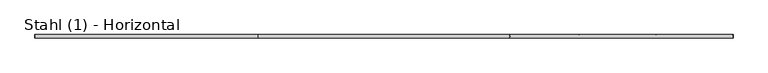
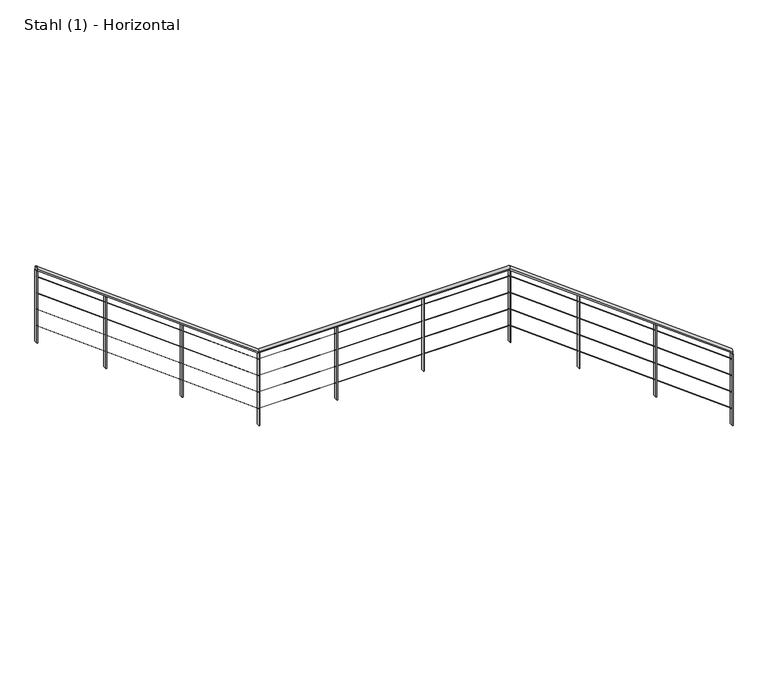
"""IFC4 building model written with IfcOpenShell, lengths in millimetres: railing geometry, Stahl (1) - Horizontal."""

from ifc_helpers import new_model, si_unit, frame, origin, place, context, project, spatial, polyline, ellipse_curve, outline, extrude, source, transform, mapped, element, save
from ifc_brep_helpers import plane_surface, cylinder_surface, advanced_brep


def stahl_1_horizontal_7fd0969c(model_context):
    return source(origin(), model_context, "Body", "SolidModel", [
        advanced_brep(
        [(5557.7095454, 4913.8929131, 4785.0587002), (5557.7095454, 4873.8929131, 4785.0587002), (3001.0778009, 4913.8929131, 6690.0), (3001.0778009, 4873.8929131, 6690.0), (115.8397057, 4913.8929131, 6690.0), (115.8397057, 4873.8929131, 6690.0), (-2427.5285499, 4913.8929131, 8585.0587002), (-2427.5285499, 4873.8929131, 8585.0587002)],
        [
            (0, 1, ellipse_curve(frame((5557.7095454, 4893.8929131, 4785.0587002), z_axis=(1.0, 0.0, 0.0), x_axis=(0.0, 0.0, -0.9999999999999999)), 24.9412998, 20.0)),
            (1, 0, ellipse_curve(frame((5557.7095454, 4893.8929131, 4785.0587002), z_axis=(1.0, 0.0, 0.0), x_axis=(0.0, 0.0, -0.9999999999999999)), 24.9412998, 20.0)),
            (0, 2),
            (2, 3, ellipse_curve(frame((3001.0778009, 4893.8929131, 6690.0), z_axis=(0.9491793370099771, 0.0, -0.3147357402541066), x_axis=(-0.31473574025410744, 0.0, -0.9491793370099768)), 21.0708337, 20.0)),
            (3, 1),
            (3, 2, ellipse_curve(frame((3001.0778009, 4893.8929131, 6690.0), z_axis=(0.9491793370099771, 0.0, -0.3147357402541066), x_axis=(-0.31473574025410744, 0.0, -0.9491793370099768)), 21.0708337, 20.0)),
            (2, 4),
            (4, 5, ellipse_curve(frame((115.8397057, 4893.8929131, 6690.0), z_axis=(0.9491793370099769, 0.0, -0.3147357402541068), x_axis=(0.3147357402541072, 0.0, 0.9491793370099768)), 21.0708337, 20.0)),
            (5, 3),
            (5, 4, ellipse_curve(frame((115.8397057, 4893.8929131, 6690.0), z_axis=(0.9491793370099769, 0.0, -0.3147357402541068), x_axis=(0.3147357402541072, 0.0, 0.9491793370099768)), 21.0708337, 20.0)),
            (6, 7, ellipse_curve(frame((-2427.5285499, 4893.8929131, 8585.0587002), z_axis=(-1.0, 0.0, 0.0), x_axis=(0.0, 0.0, -1.0)), 24.9412998, 20.0)),
            (7, 6, ellipse_curve(frame((-2427.5285499, 4893.8929131, 8585.0587002), z_axis=(-1.0, 0.0, 0.0), x_axis=(0.0, 0.0, -1.0)), 24.9412998, 20.0)),
            (4, 6),
            (7, 5),
        ],
        [
            plane_surface(frame((5557.7095454, 4893.8929131, 4810.0), z_axis=(1.0, 0.0, 0.0), x_axis=(0.0, -1.0, 0.0))),
            cylinder_surface(frame((5545.7599189, 4893.8929131, 4793.9623434), z_axis=(0.8018828276133992, 0.0, -0.5974813225354743), x_axis=(0.0, -1.0, 0.0)), 20.0),
            cylinder_surface(frame((3007.7095454, 4893.8929131, 6690.0), z_axis=(1.0, 0.0, 0.0), x_axis=(0.0, -1.0, 0.0)), 20.0),
            plane_surface(frame((-2427.5285499, 4893.8929131, 8610.0), z_axis=(-1.0, 0.0, 0.0), x_axis=(0.0, -1.0, 0.0))),
            cylinder_surface(frame((110.5218237, 4893.8929131, 6693.9623434), z_axis=(0.801882827613399, 0.0, -0.5974813225354747), x_axis=(0.0, -1.0, 0.0)), 20.0),
        ],
        [
            (0, [[1, 2]]),
            (1, [[-1, 3, 4, 5]]),
            (1, [[-2, -5, 6, -3]]),
            (2, [[-4, 7, 8, 9]]),
            (2, [[-6, -9, 10, -7]]),
            (3, [[11, 12]]),
            (4, [[-8, 13, -12, 14]]),
            (4, [[-10, -14, -11, -13]]),
        ],
    ),
        advanced_brep(
        [(5557.7095454, 4895.3929131, 4688.1294025), (5557.7095454, 4892.3929131, 4688.1294025), (3007.2121645, 4895.3929131, 6588.5), (3007.2121645, 4892.3929131, 6588.5), (121.9740693, 4895.3929131, 6588.5), (121.9740693, 4892.3929131, 6588.5), (-2427.5285499, 4895.3929131, 8488.1294025), (-2427.5285499, 4892.3929131, 8488.1294025)],
        [
            (0, 1, ellipse_curve(frame((5557.7095454, 4893.8929131, 4688.1294025), z_axis=(1.0, 0.0, 0.0), x_axis=(0.0, 0.0, -0.9999999999999999)), 1.8705975, 1.5)),
            (1, 0, ellipse_curve(frame((5557.7095454, 4893.8929131, 4688.1294025), z_axis=(1.0, 0.0, 0.0), x_axis=(0.0, 0.0, -0.9999999999999999)), 1.8705975, 1.5)),
            (0, 2),
            (2, 3, ellipse_curve(frame((3007.2121645, 4893.8929131, 6588.5), z_axis=(0.9491793370099771, 0.0, -0.3147357402541066), x_axis=(-0.31473574025410744, 0.0, -0.9491793370099768)), 1.5803125, 1.5)),
            (3, 1),
            (3, 2, ellipse_curve(frame((3007.2121645, 4893.8929131, 6588.5), z_axis=(0.9491793370099771, 0.0, -0.3147357402541066), x_axis=(-0.31473574025410744, 0.0, -0.9491793370099768)), 1.5803125, 1.5)),
            (2, 4),
            (4, 5, ellipse_curve(frame((121.9740693, 4893.8929131, 6588.5), z_axis=(0.9491793370099769, 0.0, -0.3147357402541068), x_axis=(0.3147357402541072, 0.0, 0.9491793370099768)), 1.5803125, 1.5)),
            (5, 3),
            (5, 4, ellipse_curve(frame((121.9740693, 4893.8929131, 6588.5), z_axis=(0.9491793370099769, 0.0, -0.3147357402541068), x_axis=(0.3147357402541072, 0.0, 0.9491793370099768)), 1.5803125, 1.5)),
            (6, 7, ellipse_curve(frame((-2427.5285499, 4893.8929131, 8488.1294025), z_axis=(-1.0, 0.0, 0.0), x_axis=(0.0, 0.0, -1.0)), 1.8705975, 1.5)),
            (7, 6, ellipse_curve(frame((-2427.5285499, 4893.8929131, 8488.1294025), z_axis=(-1.0, 0.0, 0.0), x_axis=(0.0, 0.0, -1.0)), 1.8705975, 1.5)),
            (4, 6),
            (7, 5),
        ],
        [
            plane_surface(frame((5557.7095454, 4893.8929131, 4690.0), z_axis=(1.0, 0.0, 0.0), x_axis=(0.0, -1.0, 0.0))),
            cylinder_surface(frame((5556.8133234, 4893.8929131, 4688.7971758), z_axis=(0.8018828276133992, 0.0, -0.5974813225354743), x_axis=(0.0, -1.0, 0.0)), 1.5),
            cylinder_surface(frame((3007.7095454, 4893.8929131, 6588.5), z_axis=(1.0, 0.0, 0.0), x_axis=(0.0, -1.0, 0.0)), 1.5),
            plane_surface(frame((-2427.5285499, 4893.8929131, 8490.0), z_axis=(-1.0, 0.0, 0.0), x_axis=(0.0, -1.0, 0.0))),
            cylinder_surface(frame((121.5752281, 4893.8929131, 6588.7971758), z_axis=(0.801882827613399, 0.0, -0.5974813225354747), x_axis=(0.0, -1.0, 0.0)), 1.5),
        ],
        [
            (0, [[1, 2]]),
            (1, [[-1, 3, 4, 5]]),
            (1, [[-2, -5, 6, -3]]),
            (2, [[-4, 7, 8, 9]]),
            (2, [[-6, -9, 10, -7]]),
            (3, [[11, 12]]),
            (4, [[-8, 13, -12, 14]]),
            (4, [[-10, -14, -11, -13]]),
        ],
    ),
        advanced_brep(
        [(5557.7095454, 4895.3929131, 4488.1294025), (5557.7095454, 4892.3929131, 4488.1294025), (3007.2121645, 4895.3929131, 6388.5), (3007.2121645, 4892.3929131, 6388.5), (121.9740693, 4895.3929131, 6388.5), (121.9740693, 4892.3929131, 6388.5), (-2427.5285499, 4895.3929131, 8288.1294025), (-2427.5285499, 4892.3929131, 8288.1294025)],
        [
            (0, 1, ellipse_curve(frame((5557.7095454, 4893.8929131, 4488.1294025), z_axis=(1.0, 0.0, 0.0), x_axis=(0.0, 0.0, -0.9999999999999999)), 1.8705975, 1.5)),
            (1, 0, ellipse_curve(frame((5557.7095454, 4893.8929131, 4488.1294025), z_axis=(1.0, 0.0, 0.0), x_axis=(0.0, 0.0, -0.9999999999999999)), 1.8705975, 1.5)),
            (0, 2),
            (2, 3, ellipse_curve(frame((3007.2121645, 4893.8929131, 6388.5), z_axis=(0.9491793370099771, 0.0, -0.3147357402541066), x_axis=(-0.31473574025410744, 0.0, -0.9491793370099768)), 1.5803125, 1.5)),
            (3, 1),
            (3, 2, ellipse_curve(frame((3007.2121645, 4893.8929131, 6388.5), z_axis=(0.9491793370099771, 0.0, -0.3147357402541066), x_axis=(-0.31473574025410744, 0.0, -0.9491793370099768)), 1.5803125, 1.5)),
            (2, 4),
            (4, 5, ellipse_curve(frame((121.9740693, 4893.8929131, 6388.5), z_axis=(0.9491793370099769, 0.0, -0.3147357402541068), x_axis=(0.3147357402541072, 0.0, 0.9491793370099768)), 1.5803125, 1.5)),
            (5, 3),
            (5, 4, ellipse_curve(frame((121.9740693, 4893.8929131, 6388.5), z_axis=(0.9491793370099769, 0.0, -0.3147357402541068), x_axis=(0.3147357402541072, 0.0, 0.9491793370099768)), 1.5803125, 1.5)),
            (6, 7, ellipse_curve(frame((-2427.5285499, 4893.8929131, 8288.1294025), z_axis=(-1.0, 0.0, 0.0), x_axis=(0.0, 0.0, -1.0)), 1.8705975, 1.5)),
            (7, 6, ellipse_curve(frame((-2427.5285499, 4893.8929131, 8288.1294025), z_axis=(-1.0, 0.0, 0.0), x_axis=(0.0, 0.0, -1.0)), 1.8705975, 1.5)),
            (4, 6),
            (7, 5),
        ],
        [
            plane_surface(frame((5557.7095454, 4893.8929131, 4490.0), z_axis=(1.0, 0.0, 0.0), x_axis=(0.0, -1.0, 0.0))),
            cylinder_surface(frame((5556.8133234, 4893.8929131, 4488.7971758), z_axis=(0.8018828276133992, 0.0, -0.5974813225354743), x_axis=(0.0, -1.0, 0.0)), 1.5),
            cylinder_surface(frame((3007.7095454, 4893.8929131, 6388.5), z_axis=(1.0, 0.0, 0.0), x_axis=(0.0, -1.0, 0.0)), 1.5),
            plane_surface(frame((-2427.5285499, 4893.8929131, 8290.0), z_axis=(-1.0, 0.0, 0.0), x_axis=(0.0, -1.0, 0.0))),
            cylinder_surface(frame((121.5752281, 4893.8929131, 6388.7971758), z_axis=(0.801882827613399, 0.0, -0.5974813225354747), x_axis=(0.0, -1.0, 0.0)), 1.5),
        ],
        [
            (0, [[1, 2]]),
            (1, [[-1, 3, 4, 5]]),
            (1, [[-2, -5, 6, -3]]),
            (2, [[-4, 7, 8, 9]]),
            (2, [[-6, -9, 10, -7]]),
            (3, [[11, 12]]),
            (4, [[-8, 13, -12, 14]]),
            (4, [[-10, -14, -11, -13]]),
        ],
    ),
        advanced_brep(
        [(5557.7095454, 4895.3929131, 4288.1294025), (5557.7095454, 4892.3929131, 4288.1294025), (3007.2121645, 4895.3929131, 6188.5), (3007.2121645, 4892.3929131, 6188.5), (121.9740693, 4895.3929131, 6188.5), (121.9740693, 4892.3929131, 6188.5), (-2427.5285499, 4895.3929131, 8088.1294025), (-2427.5285499, 4892.3929131, 8088.1294025)],
        [
            (0, 1, ellipse_curve(frame((5557.7095454, 4893.8929131, 4288.1294025), z_axis=(1.0, 0.0, 0.0), x_axis=(0.0, 0.0, -0.9999999999999999)), 1.8705975, 1.5)),
            (1, 0, ellipse_curve(frame((5557.7095454, 4893.8929131, 4288.1294025), z_axis=(1.0, 0.0, 0.0), x_axis=(0.0, 0.0, -0.9999999999999999)), 1.8705975, 1.5)),
            (0, 2),
            (2, 3, ellipse_curve(frame((3007.2121645, 4893.8929131, 6188.5), z_axis=(0.9491793370099771, 0.0, -0.3147357402541066), x_axis=(-0.31473574025410744, 0.0, -0.9491793370099768)), 1.5803125, 1.5)),
            (3, 1),
            (3, 2, ellipse_curve(frame((3007.2121645, 4893.8929131, 6188.5), z_axis=(0.9491793370099771, 0.0, -0.3147357402541066), x_axis=(-0.31473574025410744, 0.0, -0.9491793370099768)), 1.5803125, 1.5)),
            (2, 4),
            (4, 5, ellipse_curve(frame((121.9740693, 4893.8929131, 6188.5), z_axis=(0.9491793370099769, 0.0, -0.3147357402541068), x_axis=(0.3147357402541072, 0.0, 0.9491793370099768)), 1.5803125, 1.5)),
            (5, 3),
            (5, 4, ellipse_curve(frame((121.9740693, 4893.8929131, 6188.5), z_axis=(0.9491793370099769, 0.0, -0.3147357402541068), x_axis=(0.3147357402541072, 0.0, 0.9491793370099768)), 1.5803125, 1.5)),
            (6, 7, ellipse_curve(frame((-2427.5285499, 4893.8929131, 8088.1294025), z_axis=(-1.0, 0.0, 0.0), x_axis=(0.0, 0.0, -1.0)), 1.8705975, 1.5)),
            (7, 6, ellipse_curve(frame((-2427.5285499, 4893.8929131, 8088.1294025), z_axis=(-1.0, 0.0, 0.0), x_axis=(0.0, 0.0, -1.0)), 1.8705975, 1.5)),
            (4, 6),
            (7, 5),
        ],
        [
            plane_surface(frame((5557.7095454, 4893.8929131, 4290.0), z_axis=(1.0, 0.0, 0.0), x_axis=(0.0, -1.0, 0.0))),
            cylinder_surface(frame((5556.8133234, 4893.8929131, 4288.7971758), z_axis=(0.8018828276133992, 0.0, -0.5974813225354743), x_axis=(0.0, -1.0, 0.0)), 1.5),
            cylinder_surface(frame((3007.7095454, 4893.8929131, 6188.5), z_axis=(1.0, 0.0, 0.0), x_axis=(0.0, -1.0, 0.0)), 1.5),
            plane_surface(frame((-2427.5285499, 4893.8929131, 8090.0), z_axis=(-1.0, 0.0, 0.0), x_axis=(0.0, -1.0, 0.0))),
            cylinder_surface(frame((121.5752281, 4893.8929131, 6188.7971758), z_axis=(0.801882827613399, 0.0, -0.5974813225354747), x_axis=(0.0, -1.0, 0.0)), 1.5),
        ],
        [
            (0, [[1, 2]]),
            (1, [[-1, 3, 4, 5]]),
            (1, [[-2, -5, 6, -3]]),
            (2, [[-4, 7, 8, 9]]),
            (2, [[-6, -9, 10, -7]]),
            (3, [[11, 12]]),
            (4, [[-8, 13, -12, 14]]),
            (4, [[-10, -14, -11, -13]]),
        ],
    ),
        advanced_brep(
        [(5557.7095454, 4895.3929131, 4088.1294025), (5557.7095454, 4892.3929131, 4088.1294025), (3007.2121645, 4895.3929131, 5988.5), (3007.2121645, 4892.3929131, 5988.5), (121.9740693, 4895.3929131, 5988.5), (121.9740693, 4892.3929131, 5988.5), (-2427.5285499, 4895.3929131, 7888.1294025), (-2427.5285499, 4892.3929131, 7888.1294025)],
        [
            (0, 1, ellipse_curve(frame((5557.7095454, 4893.8929131, 4088.1294025), z_axis=(1.0, 0.0, 0.0), x_axis=(0.0, 0.0, -0.9999999999999999)), 1.8705975, 1.5)),
            (1, 0, ellipse_curve(frame((5557.7095454, 4893.8929131, 4088.1294025), z_axis=(1.0, 0.0, 0.0), x_axis=(0.0, 0.0, -0.9999999999999999)), 1.8705975, 1.5)),
            (0, 2),
            (2, 3, ellipse_curve(frame((3007.2121645, 4893.8929131, 5988.5), z_axis=(0.9491793370099771, 0.0, -0.3147357402541066), x_axis=(-0.31473574025410744, 0.0, -0.9491793370099768)), 1.5803125, 1.5)),
            (3, 1),
            (3, 2, ellipse_curve(frame((3007.2121645, 4893.8929131, 5988.5), z_axis=(0.9491793370099771, 0.0, -0.3147357402541066), x_axis=(-0.31473574025410744, 0.0, -0.9491793370099768)), 1.5803125, 1.5)),
            (2, 4),
            (4, 5, ellipse_curve(frame((121.9740693, 4893.8929131, 5988.5), z_axis=(0.9491793370099769, 0.0, -0.3147357402541068), x_axis=(0.3147357402541072, 0.0, 0.9491793370099768)), 1.5803125, 1.5)),
            (5, 3),
            (5, 4, ellipse_curve(frame((121.9740693, 4893.8929131, 5988.5), z_axis=(0.9491793370099769, 0.0, -0.3147357402541068), x_axis=(0.3147357402541072, 0.0, 0.9491793370099768)), 1.5803125, 1.5)),
            (6, 7, ellipse_curve(frame((-2427.5285499, 4893.8929131, 7888.1294025), z_axis=(-1.0, 0.0, 0.0), x_axis=(0.0, 0.0, -1.0)), 1.8705975, 1.5)),
            (7, 6, ellipse_curve(frame((-2427.5285499, 4893.8929131, 7888.1294025), z_axis=(-1.0, 0.0, 0.0), x_axis=(0.0, 0.0, -1.0)), 1.8705975, 1.5)),
            (4, 6),
            (7, 5),
        ],
        [
            plane_surface(frame((5557.7095454, 4893.8929131, 4090.0), z_axis=(1.0, 0.0, 0.0), x_axis=(0.0, -1.0, 0.0))),
            cylinder_surface(frame((5556.8133234, 4893.8929131, 4088.7971758), z_axis=(0.8018828276133992, 0.0, -0.5974813225354743), x_axis=(0.0, -1.0, 0.0)), 1.5),
            cylinder_surface(frame((3007.7095454, 4893.8929131, 5988.5), z_axis=(1.0, 0.0, 0.0), x_axis=(0.0, -1.0, 0.0)), 1.5),
            plane_surface(frame((-2427.5285499, 4893.8929131, 7890.0), z_axis=(-1.0, 0.0, 0.0), x_axis=(0.0, -1.0, 0.0))),
            cylinder_surface(frame((121.5752281, 4893.8929131, 5988.7971758), z_axis=(0.801882827613399, 0.0, -0.5974813225354747), x_axis=(0.0, -1.0, 0.0)), 1.5),
        ],
        [
            (0, [[1, 2]]),
            (1, [[-1, 3, 4, 5]]),
            (1, [[-2, -5, 6, -3]]),
            (2, [[-4, 7, 8, 9]]),
            (2, [[-6, -9, 10, -7]]),
            (3, [[11, 12]]),
            (4, [[-8, 13, -12, 14]]),
            (4, [[-10, -14, -11, -13]]),
        ],
    ),
        extrude(outline(polyline([(7967.4818358, -1632.1492395), (7973.4426202, -1640.1492395), (7100.3448276, -1640.1492395), (7100.3448276, -1632.1492395), (7967.4818358, -1632.1492395)])), frame((0.0, 4873.8929131, 0.0), z_axis=(0.0, 1.0, 0.0), x_axis=(0.0, 0.0, 1.0)), (0.0, 0.0, 1.0), 40.0),
        extrude(outline(polyline([(7312.3094221, -752.8388947), (7318.2702064, -760.8388947), (6445.1724138, -760.8388947), (6445.1724138, -752.8388947), (7312.3094221, -752.8388947)])), frame((0.0, 4873.8929131, 0.0), z_axis=(0.0, 1.0, 0.0), x_axis=(0.0, 0.0, 1.0)), (0.0, 0.0, 1.0), 40.0),
        extrude(outline(polyline([(1021.8901693, 4873.8929131), (1013.8901693, 4873.8929131), (1013.8901693, 4913.8929131), (1021.8901693, 4913.8929131), (1021.8901693, 4873.8929131)])), frame((0.0, 0.0, 5790.0), z_axis=(0.0, 0.0, 1.0), x_axis=(1.0, 0.0, 0.0)), (0.0, 0.0, 1.0), 880.0),
        extrude(outline(polyline([(2016.7998573, 4873.8929131), (2008.7998573, 4873.8929131), (2008.7998573, 4913.8929131), (2016.7998573, 4913.8929131), (2016.7998573, 4873.8929131)])), frame((0.0, 0.0, 5790.0), z_axis=(0.0, 0.0, 1.0), x_axis=(1.0, 0.0, 0.0)), (0.0, 0.0, 1.0), 880.0),
        extrude(outline(polyline([(6067.4818358, 3803.0888557), (6073.4426202, 3795.0888557), (5200.3448276, 3795.0888557), (5200.3448276, 3803.0888557), (6067.4818358, 3803.0888557)])), frame((0.0, 4873.8929131, 0.0), z_axis=(0.0, 1.0, 0.0), x_axis=(0.0, 0.0, 1.0)), (0.0, 0.0, 1.0), 40.0),
        extrude(outline(polyline([(5412.3094221, 4682.3992005), (5418.2702064, 4674.3992005), (4545.1724138, 4674.3992005), (4545.1724138, 4682.3992005), (5412.3094221, 4682.3992005)])), frame((0.0, 4873.8929131, 0.0), z_axis=(0.0, 1.0, 0.0), x_axis=(0.0, 0.0, 1.0)), (0.0, 0.0, 1.0), 40.0),
        extrude(outline(polyline([(126.4714501, 4873.8929131), (118.4714501, 4873.8929131), (118.4714501, 4913.8929131), (126.4714501, 4913.8929131), (126.4714501, 4873.8929131)])), frame((0.0, 0.0, 5790.0), z_axis=(0.0, 0.0, 1.0), x_axis=(1.0, 0.0, 0.0)), (0.0, 0.0, 1.0), 880.0),
        extrude(outline(polyline([(6657.1370083, 3011.7095454), (6663.0977926, 3003.7095454), (5790.0, 3003.7095454), (5790.0, 3011.7095454), (6657.1370083, 3011.7095454)])), frame((0.0, 4873.8929131, 0.0), z_axis=(0.0, 1.0, 0.0), x_axis=(0.0, 0.0, 1.0)), (0.0, 0.0, 1.0), 40.0),
        extrude(outline(polyline([(8557.1370083, -2423.5285499), (8563.0977926, -2431.5285499), (7690.0, -2431.5285499), (7690.0, -2423.5285499), (8557.1370083, -2423.5285499)])), frame((0.0, 4873.8929131, 0.0), z_axis=(0.0, 1.0, 0.0), x_axis=(0.0, 0.0, 1.0)), (0.0, 0.0, 1.0), 40.0),
        extrude(outline(polyline([(4757.1370083, 5561.7095454), (4763.0977926, 5553.7095454), (3890.0, 5553.7095454), (3890.0, 5561.7095454), (4757.1370083, 5561.7095454)])), frame((0.0, 4873.8929131, 0.0), z_axis=(0.0, 1.0, 0.0), x_axis=(0.0, 0.0, 1.0)), (0.0, 0.0, 1.0), 40.0),
    ])


if __name__ == "__main__":
    model = new_model("IFC4")
    model_context = context("Model", 3, world=origin())
    ifc_project = project(units=[si_unit("LENGTHUNIT", "METRE", prefix="MILLI")], contexts=[model_context])
    site = spatial("IfcSite", under=ifc_project)
    building = spatial("IfcBuilding", under=site)
    placement = place(None, origin())
    stahl_1_horizontal_shape = stahl_1_horizontal_7fd0969c(model_context)
    element("IfcRailing", 1, ObjectType="Stahl (1) - Horizontal", at=placement, inside=building, context=model_context, shape_type="MappedRepresentation", body=[
        mapped(stahl_1_horizontal_shape, transform((0.0, 0.0, 0.0), x_axis=(1.0, 0.0, 0.0), y_axis=(0.0, 1.0, 0.0), z_axis=(0.0, 0.0, 1.0))),
    ])
    save(model, "model.ifc")
